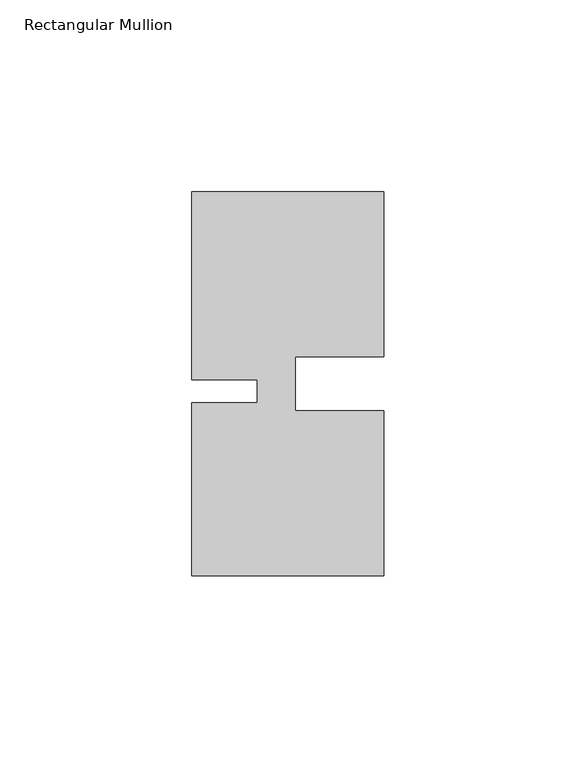
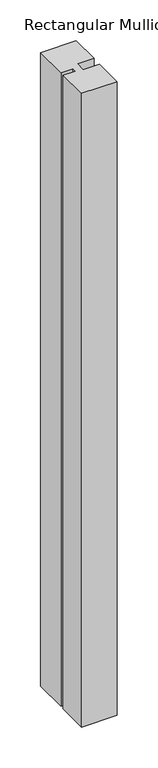
"""IFC4 building model written with IfcOpenShell, lengths in millimetres: member geometry, Rectangular Mullion."""

from ifc_helpers import new_model, si_unit, frame, origin, place, context, project, spatial, polyline, outline, extrude, source, transform, mapped, element, save


def rectangular_mullion_63035d79(model_context):
    return source(origin(), model_context, "Body", "SweptSolid", [
        extrude(outline(polyline([(-23.0000341, -5.000031), (-4.2e-06, -5.0000287), (0.0, -48.0000271), (-50.0, -48.000032), (-50.0000044, -3.000032), (-33.0004661, -3.0000303), (-33.0004667, 2.999987), (-50.000005, 2.9999853), (-50.0000098, 51.999968), (-3.44e-05, 51.999968), (-3.44e-05, 8.9999707), (-23.0000354, 8.9999684), (-23.0000341, -5.000031)])), frame((0.0, 0.0, -944.3334725), z_axis=(0.0, 0.0, 1.0), x_axis=(1.0, 0.0, 0.0)), (0.0, 0.0, 1.0), 944.3334725),
    ])


if __name__ == "__main__":
    model = new_model("IFC4")
    model_context = context("Model", 3, world=origin())
    ifc_project = project(units=[si_unit("LENGTHUNIT", "METRE", prefix="MILLI")], contexts=[model_context])
    site = spatial("IfcSite", under=ifc_project)
    building = spatial("IfcBuilding", under=site)
    placement = place(None, origin())
    rectangular_mullion_shape = rectangular_mullion_63035d79(model_context)
    element("IfcMember", 1, ObjectType="Rectangular Mullion", at=placement, inside=building, context=model_context, shape_type="MappedRepresentation", body=[
        mapped(rectangular_mullion_shape, transform((0.0, 0.0, 0.0), x_axis=(1.0, 0.0, 0.0), y_axis=(0.0, 1.0, 0.0), z_axis=(0.0, 0.0, 1.0))),
    ])
    save(model, "model.ifc")
